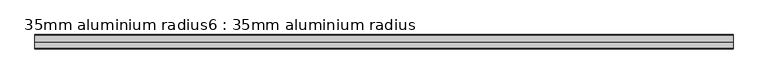
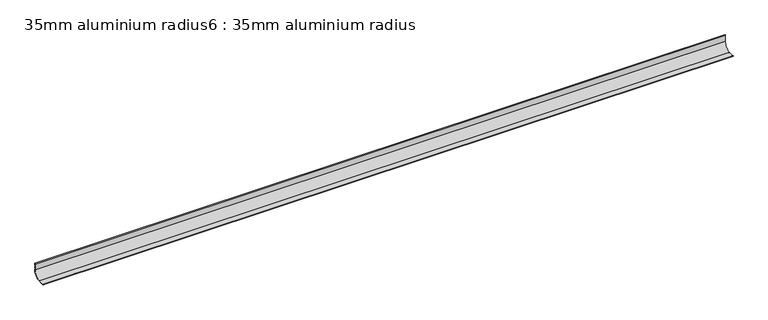
"""IFC4 building model written with IfcOpenShell, lengths in millimetres: proxy geometry, 35mm aluminium radius6 : 35mm aluminium radius."""

from ifc_helpers import new_model, si_unit, point, frame, frame_2d, origin, place, context, project, spatial, polyline, circle_curve, trimmed, segment, composite_curve, outline, extrude, source, transform, mapped, element, save


def proxy_35mm_aluminium_radius6_35mm_aluminium_radius_cd88cb58(model_context):
    return source(origin(), model_context, "Body", "SweptSolid", [
        extrude(outline(composite_curve([segment(trimmed(circle_curve(frame_2d((740.7708491, 12.7246863)), 3.9), [point((740.1503008, 16.5750006))], [point((737.3423799, 14.5836105))], True, "CARTESIAN"), True, "CONTINUOUS"), segment(trimmed(circle_curve(frame_2d((714.4753008, 25.675)), 25.415), [point((737.3423799, 14.5836105))], [point((725.5666903, 2.807921))], False, "CARTESIAN"), True, "CONTINUOUS"), segment(trimmed(circle_curve(frame_2d((727.4256145, -0.6205482)), 3.9), [point((725.5666903, 2.807921))], [point((723.5753003, 0.0))], True, "CARTESIAN"), True, "CONTINUOUS"), segment(polyline([(723.5753003, 0.0), (712.3628008, 0.0), (711.5078008, 0.855), (707.3678008, 0.855), (706.5128008, 0.0), (704.0753008, 0.0), (703.2203008, 0.855), (699.0803008, 0.855), (698.2253008, 0.0), (691.4003008, 0.0)]), True, "CONTINUOUS"), segment(trimmed(circle_curve(frame_2d((692.7003008, 0.0)), 1.3), [point((691.4003008, 0.0))], [point((692.7003008, 1.3))], False, "CARTESIAN"), True, "CONTINUOUS"), segment(polyline([(692.7003008, 1.3), (714.4753008, 1.3)]), True, "CONTINUOUS"), segment(trimmed(circle_curve(frame_2d((714.4753008, 25.675)), 24.375), [point((714.4753008, 1.3))], [point((738.8503008, 25.675))], True, "CARTESIAN"), True, "CONTINUOUS"), segment(polyline([(738.8503008, 25.675), (738.8503008, 47.45)]), True, "CONTINUOUS"), segment(trimmed(circle_curve(frame_2d((740.1503008, 47.45)), 1.3), [point((738.8503008, 47.45))], [point((740.1503008, 48.75))], False, "CARTESIAN"), True, "CONTINUOUS"), segment(polyline([(740.1503008, 48.75), (740.1503008, 41.925), (739.2953008, 41.07), (739.2953008, 36.93), (740.1503008, 36.075), (740.1503008, 33.6375), (739.2953008, 32.7825), (739.2953008, 28.6425), (740.1503008, 27.7875), (740.1503008, 16.5750006)]), True, "CONTINUOUS")], self_intersect=False)), frame((9564.6309284, 0.0, 0.0), z_axis=(1.0, 0.0, 0.0), x_axis=(0.0, 1.0, 0.0)), (0.0, 0.0, 1.0), 2400.0),
    ])


if __name__ == "__main__":
    model = new_model("IFC4")
    model_context = context("Model", 3, world=origin())
    ifc_project = project(units=[si_unit("LENGTHUNIT", "METRE", prefix="MILLI")], contexts=[model_context])
    site = spatial("IfcSite", under=ifc_project)
    building = spatial("IfcBuilding", under=site)
    placement = place(None, origin())
    proxy_35mm_aluminium_radius6_35mm_aluminium_radius_shape = proxy_35mm_aluminium_radius6_35mm_aluminium_radius_cd88cb58(model_context)
    element("IfcBuildingElementProxy", 1, Name="35mm aluminium radius6 : 35mm aluminium radius", ObjectType="35mm aluminium radius6 : 35mm aluminium radius", at=placement, inside=building, context=model_context, shape_type="MappedRepresentation", body=[
        mapped(proxy_35mm_aluminium_radius6_35mm_aluminium_radius_shape, transform((0.0, 0.0, 0.0), x_axis=(1.0, 0.0, 0.0), y_axis=(0.0, 1.0, 0.0), z_axis=(0.0, 0.0, 1.0))),
    ])
    save(model, "model.ifc")
